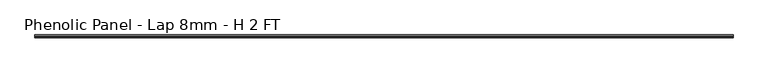
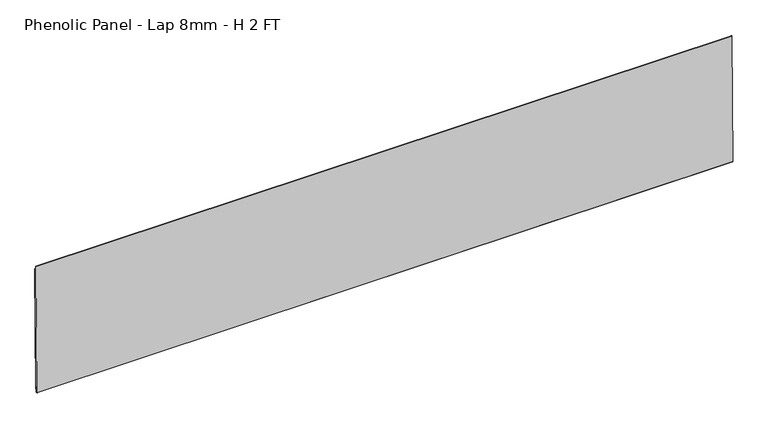
"""IFC4 building model written with IfcOpenShell, lengths in millimetres: proxy geometry, Phenolic Panel - Lap 8mm - H 2 FT."""

from ifc_helpers import new_model, si_unit, frame, origin, place, context, project, spatial, polyline, outline, extrude, source, transform, mapped, element, save


def phenolic_panel_lap_8mm_h_2_ft_bfc8b958(model_context):
    return source(origin(), model_context, "Body", "SweptSolid", [
        extrude(outline(polyline([(2.7732555, 593.6735917), (-2.4688477, 47.5987522), (-4.849988, 47.6216102), (-4.7737946, 55.5587445), (-7.3533633, 55.5835073), (-7.5819434, 31.7721044), (-9.5523841, 31.7910199), (-10.5487117, 32.8066615), (-5.0211492, 608.618069), (-4.0055075, 609.6143966), (-2.6240021, 609.6011347), (-2.7763888, 593.7268661), (2.7732555, 593.6735917)])), frame((-1814.5125, 0.0, 0.0), z_axis=(1.0, 0.0, 0.0), x_axis=(0.0, 1.0, 0.0)), (0.0, 0.0, 1.0), 3033.7125),
    ])


if __name__ == "__main__":
    model = new_model("IFC4")
    model_context = context("Model", 3, world=origin())
    ifc_project = project(units=[si_unit("LENGTHUNIT", "METRE", prefix="MILLI")], contexts=[model_context])
    site = spatial("IfcSite", under=ifc_project)
    building = spatial("IfcBuilding", under=site)
    placement = place(None, origin())
    phenolic_panel_lap_8mm_h_2_ft_shape = phenolic_panel_lap_8mm_h_2_ft_bfc8b958(model_context)
    element("IfcBuildingElementProxy", 1, Name="Phenolic Panel - Lap 8mm - H 2 FT", ObjectType="Phenolic Panel - Lap 8mm - H 2 FT", at=placement, inside=building, context=model_context, shape_type="MappedRepresentation", body=[
        mapped(phenolic_panel_lap_8mm_h_2_ft_shape, transform((0.0, 0.0, 0.0), x_axis=(1.0, 0.0, 0.0), y_axis=(0.0, 1.0, 0.0), z_axis=(0.0, 0.0, 1.0))),
    ])
    save(model, "model.ifc")
